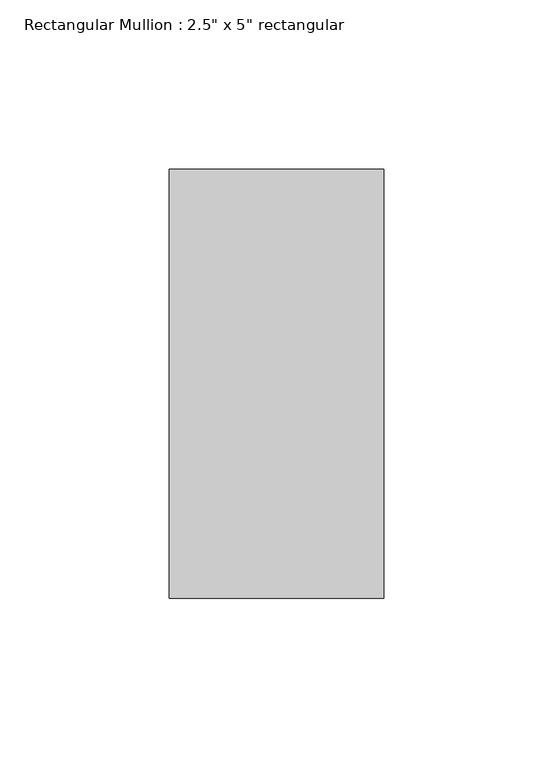
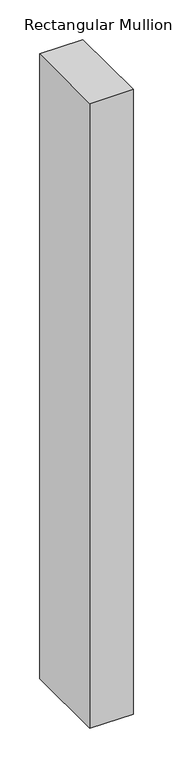
"""IFC4 building model written with IfcOpenShell, lengths in millimetres: member geometry."""

from ifc_helpers import new_model, si_unit, frame, origin, place, context, project, spatial, polyline, outline, extrude, source, transform, mapped, element, save


def member_18e22e2d(model_context):
    return source(origin(), model_context, "Body", "SweptSolid", [
        extrude(outline(polyline([(31.75, 63.5), (31.75, -63.5), (-31.75, -63.5), (-31.75, 63.5), (31.75, 63.5)])), frame((0.0, 0.0, -965.2), z_axis=(0.0, 0.0, 1.0), x_axis=(1.0, 0.0, 0.0)), (0.0, 0.0, 1.0), 965.2),
    ])


if __name__ == "__main__":
    model = new_model("IFC4")
    model_context = context("Model", 3, world=origin())
    ifc_project = project(units=[si_unit("LENGTHUNIT", "METRE", prefix="MILLI")], contexts=[model_context])
    site = spatial("IfcSite", under=ifc_project)
    building = spatial("IfcBuilding", under=site)
    placement = place(None, origin())
    member_shape = member_18e22e2d(model_context)
    element("IfcMember", 1, ObjectType="Rectangular Mullion : 2.5\" x 5\" rectangular", at=placement, inside=building, context=model_context, shape_type="MappedRepresentation", body=[
        mapped(member_shape, transform((0.0, 0.0, 0.0), x_axis=(1.0, 0.0, 0.0), y_axis=(0.0, 1.0, 0.0), z_axis=(0.0, 0.0, 1.0))),
    ])
    save(model, "model.ifc")
